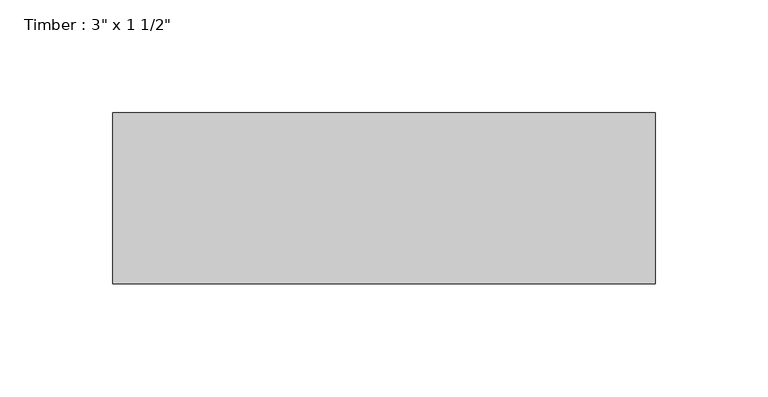
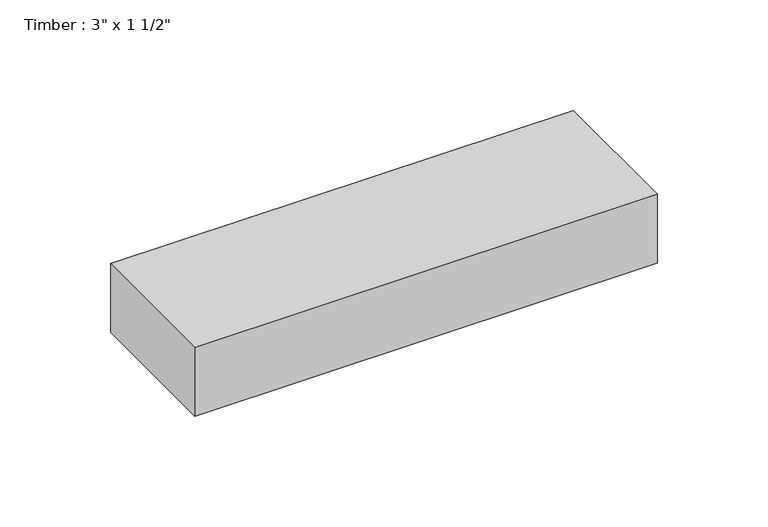
"""IFC4 building model written with IfcOpenShell, lengths in millimetres: beam geometry."""

from ifc_helpers import new_model, si_unit, frame, origin, place, context, project, spatial, polyline, outline, extrude, source, transform, mapped, element, save


def beam_6f2bb5c9(model_context):
    return source(origin(), model_context, "Body", "SweptSolid", [
        extrude(outline(polyline([(120.65, 38.1), (120.65, -38.1), (-120.65, -38.1), (-120.65, 38.1), (120.65, 38.1)])), frame((0.0, 0.0, -19.05), z_axis=(0.0, 0.0, 1.0), x_axis=(1.0, 0.0, 0.0)), (0.0, 0.0, 1.0), 38.1),
    ])


if __name__ == "__main__":
    model = new_model("IFC4")
    model_context = context("Model", 3, world=origin())
    ifc_project = project(units=[si_unit("LENGTHUNIT", "METRE", prefix="MILLI")], contexts=[model_context])
    site = spatial("IfcSite", under=ifc_project)
    building = spatial("IfcBuilding", under=site)
    placement = place(None, origin())
    beam_shape = beam_6f2bb5c9(model_context)
    element("IfcBeam", 1, ObjectType="Timber : 3\" x 1 1/2\"", at=placement, inside=building, context=model_context, shape_type="MappedRepresentation", body=[
        mapped(beam_shape, transform((0.0, 0.0, 0.0), x_axis=(1.0, 0.0, 0.0), y_axis=(0.0, 1.0, 0.0), z_axis=(0.0, 0.0, 1.0))),
    ])
    save(model, "model.ifc")
